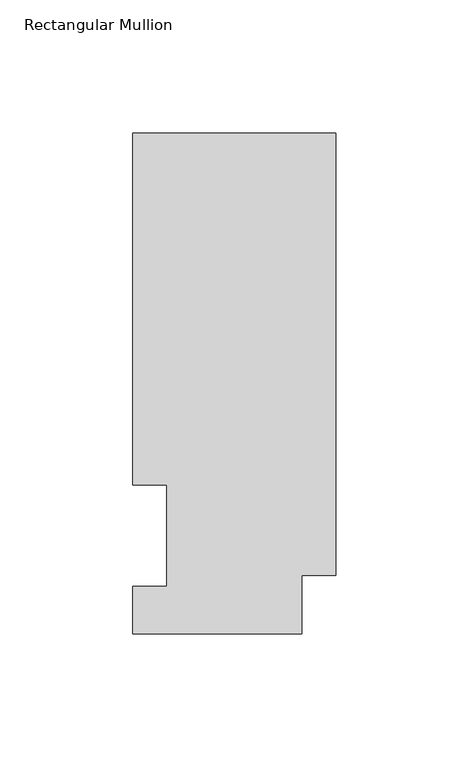
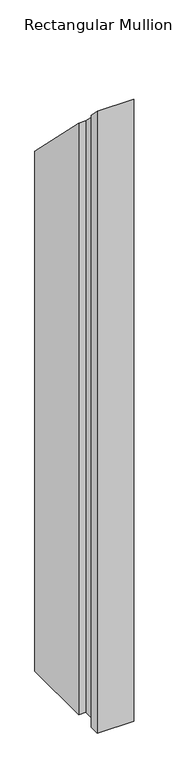
"""IFC4 building model written with IfcOpenShell, lengths in millimetres: member geometry, Rectangular Mullion."""

from ifc_helpers import new_model, si_unit, origin, place, context, project, spatial, faceted_brep, source, transform, mapped, element, save


def rectangular_mullion_b75afe32(model_context):
    return source(origin(), model_context, "Body", "Brep", [
        faceted_brep([(-76.2, 189.0897822, -1148.765117), (0.0, 189.0897822, -1148.765117), (0.0, 22.6195299, -1148.765117), (-12.7, 22.6195299, -1148.765117), (-12.7, 0.5199062, -1148.765117), (-76.2, 0.5199062, -1148.765117), (-76.2, 18.5539063, -1148.765117), (-63.5762, 18.5539063, -1148.765117), (-63.5762, 56.6539062, -1148.765117), (-76.2, 56.6539062, -1148.765117), (-76.2, 56.6539062, -56.6539062), (-76.2, 189.0897822, -189.0897822), (-63.5762, 56.6539062, -56.6539062), (-63.5762, 18.5539063, -18.5539063), (-76.2, 18.5539063, -18.5539063), (-76.2, 0.5199062, -0.5199062), (-12.7, 0.5199062, -0.5199062), (-12.7, 22.6195299, -22.6195299), (0.0, 22.6195299, -22.6195299), (0.0, 189.0897822, -189.0897822)], [[[0, 1, 2, 3, 4, 5, 6, 7, 8, 9]], [[10, 11, 0, 9]], [[12, 10, 9, 8]], [[13, 12, 8, 7]], [[14, 13, 7, 6]], [[15, 14, 6, 5]], [[16, 15, 5, 4]], [[17, 16, 4, 3]], [[18, 17, 3, 2]], [[19, 18, 2, 1]], [[11, 19, 1, 0]], [[11, 10, 12, 13, 14, 15, 16, 17, 18, 19]]]),
    ])


if __name__ == "__main__":
    model = new_model("IFC4")
    model_context = context("Model", 3, world=origin())
    ifc_project = project(units=[si_unit("LENGTHUNIT", "METRE", prefix="MILLI")], contexts=[model_context])
    site = spatial("IfcSite", under=ifc_project)
    building = spatial("IfcBuilding", under=site)
    placement = place(None, origin())
    rectangular_mullion_shape = rectangular_mullion_b75afe32(model_context)
    element("IfcMember", 1, ObjectType="Rectangular Mullion", at=placement, inside=building, context=model_context, shape_type="MappedRepresentation", body=[
        mapped(rectangular_mullion_shape, transform((0.0, 0.0, 0.0), x_axis=(1.0, 0.0, 0.0), y_axis=(0.0, 1.0, 0.0), z_axis=(0.0, 0.0, 1.0))),
    ])
    save(model, "model.ifc")
